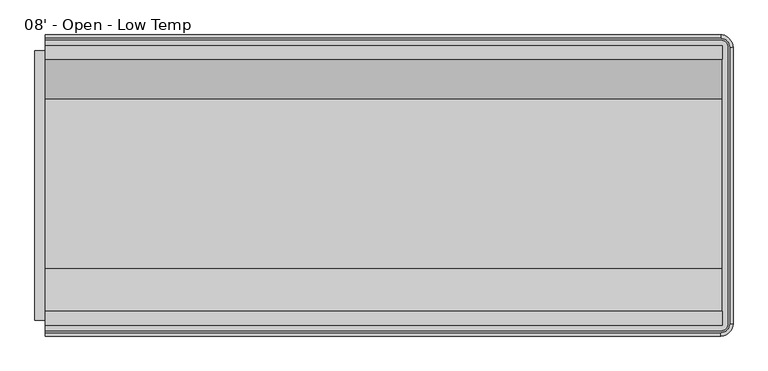
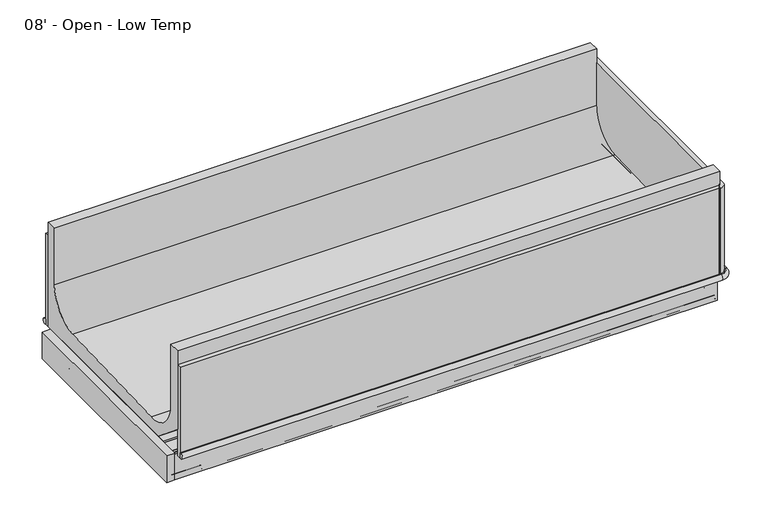
"""IFC4 building model written with IfcOpenShell, lengths in millimetres: proxy geometry, 08' - Open - Low Temp."""

from ifc_helpers import new_model, si_unit, point, frame, frame_2d, origin, place, context, project, spatial, polyline, circle_curve, ellipse_curve, trimmed, segment, composite_curve, outline, extrude, faceted_brep, source, transform, mapped, element, save
from ifc_brep_helpers import plane_surface, cylinder_surface, revolved_surface, advanced_brep


def proxy_08_open_low_temp_37c45525(model_context):
    return source(origin(), model_context, "Body", "SolidModel", [
        extrude(outline(composite_curve([segment(trimmed(circle_curve(frame_2d((2242.2857348, -1195.4118533)), 12.7), [point((2229.5857348, -1195.4118533))], [point((2254.9857348, -1195.4118533))], False, "CARTESIAN"), True, "CONTINUOUS"), segment(trimmed(circle_curve(frame_2d((2242.2857348, -1195.4118533)), 12.7), [point((2254.9857348, -1195.4118533))], [point((2229.5857348, -1195.4118533))], False, "CARTESIAN"), True, "CONTINUOUS")], self_intersect=False)), frame((0.0, 0.0, 267.1357836), z_axis=(0.0, 0.0, 1.0), x_axis=(1.0, 0.0, 0.0)), (0.0, 0.0, 1.0), 111.4880864),
        extrude(outline(composite_curve([segment(trimmed(circle_curve(frame_2d((2191.9411097, -1195.4118533)), 9.525), [point((2182.4161097, -1195.4118533))], [point((2201.4661097, -1195.4118533))], False, "CARTESIAN"), True, "CONTINUOUS"), segment(trimmed(circle_curve(frame_2d((2191.9411097, -1195.4118533)), 9.525), [point((2201.4661097, -1195.4118533))], [point((2182.4161097, -1195.4118533))], False, "CARTESIAN"), True, "CONTINUOUS")], self_intersect=False)), frame((0.0, 0.0, 267.1357836), z_axis=(0.0, 0.0, 1.0), x_axis=(1.0, 0.0, 0.0)), (0.0, 0.0, 1.0), 111.4880864),
        extrude(outline(composite_curve([segment(trimmed(circle_curve(frame_2d((1219.2, -1198.5868533)), 38.1), [point((1181.1, -1198.5868533))], [point((1257.3, -1198.5868533))], False, "CARTESIAN"), True, "CONTINUOUS"), segment(trimmed(circle_curve(frame_2d((1219.2, -1198.5868533)), 38.1), [point((1257.3, -1198.5868533))], [point((1181.1, -1198.5868533))], False, "CARTESIAN"), True, "CONTINUOUS")], self_intersect=False)), frame((0.0, 0.0, 267.1357836), z_axis=(0.0, 0.0, 1.0), x_axis=(1.0, 0.0, 0.0)), (0.0, 0.0, 1.0), 111.4880864),
        extrude(outline(polyline([(247.65, -1413.6237792), (247.65, -1451.7237792), (133.35, -1451.7237792), (133.35, -1413.6237792), (247.65, -1413.6237792)])), frame((0.0, 0.0, 274.6794054), z_axis=(0.0, 0.0, 1.0), x_axis=(1.0, 0.0, 0.0)), (0.0, 0.0, 1.0), 6.35),
        advanced_brep(
        [(0.0, -1496.0833013, 358.14512), (0.0, -1496.0833013, 332.74512), (0.0, -1502.3063013, 332.74512), (0.0, -1502.3063013, 358.14512), (0.0, -427.7095533, 358.14512), (0.0, -421.4865533, 358.14512), (0.0, -421.4865533, 332.74512), (0.0, -427.7095533, 332.74512), (2480.31, -1502.3063013, 358.14512), (2513.672374, -1468.9439273, 358.14512), (2513.672374, -454.8489273, 358.14512), (2480.31, -421.4865533, 358.14512), (2480.31, -427.7095533, 358.14512), (2507.449374, -454.8489273, 358.14512), (2507.449374, -1468.9439273, 358.14512), (2480.31, -1496.0833013, 358.14512), (2480.31, -421.4865533, 332.74512), (2480.31, -1496.0833013, 332.74512), (2507.449374, -1468.9439273, 332.74512), (2507.449374, -454.8489273, 332.74512), (2480.31, -427.7095533, 332.74512), (2513.672374, -454.8489273, 332.74512), (2513.672374, -1468.9439273, 332.74512), (2480.31, -1502.3063013, 332.74512)],
        [
            (0, 1),
            (1, 2),
            (2, 3, circle_curve(frame((0.0, -1502.3063013, 345.44512), z_axis=(-1.0, 0.0, 0.0), x_axis=(0.0, -1.0, 0.0)), 12.7)),
            (3, 0),
            (4, 5),
            (5, 6, circle_curve(frame((0.0, -421.4865533, 345.44512), z_axis=(-1.0, 0.0, 0.0), x_axis=(0.0, 1.0, 0.0)), 12.7)),
            (6, 7),
            (7, 4),
            (3, 8),
            (8, 9, circle_curve(frame((2480.31, -1468.9439273, 358.14512), z_axis=(0.0, 0.0, 1.0), x_axis=(1.0, 0.0, 0.0)), 33.362374)),
            (9, 10),
            (10, 11, circle_curve(frame((2480.31, -454.8489273, 358.14512), z_axis=(0.0, 0.0, 1.0), x_axis=(0.0, 1.0, 0.0)), 33.362374)),
            (11, 5),
            (4, 12),
            (12, 13, circle_curve(frame((2480.31, -454.8489273, 358.14512), z_axis=(0.0, 0.0, -1.0), x_axis=(0.0, 1.0, 0.0)), 27.139374)),
            (13, 14),
            (14, 15, circle_curve(frame((2480.31, -1468.9439273, 358.14512), z_axis=(0.0, 0.0, -1.0), x_axis=(1.0, 0.0, 0.0)), 27.139374)),
            (15, 0),
            (11, 16, circle_curve(frame((2480.31, -421.4865533, 345.44512), z_axis=(-1.0, 0.0, 0.0), x_axis=(0.0, 1.0, 0.0)), 12.7)),
            (16, 6),
            (1, 17),
            (17, 18, circle_curve(frame((2480.31, -1468.9439273, 332.74512), z_axis=(0.0, 0.0, 1.0), x_axis=(1.0, 0.0, 0.0)), 27.139374)),
            (18, 19),
            (19, 20, circle_curve(frame((2480.31, -454.8489273, 332.74512), z_axis=(0.0, 0.0, 1.0), x_axis=(0.0, 1.0, 0.0)), 27.139374)),
            (20, 7),
            (16, 21, circle_curve(frame((2480.31, -454.8489273, 332.74512), z_axis=(0.0, 0.0, -1.0), x_axis=(0.0, 1.0, 0.0)), 33.362374)),
            (21, 22),
            (22, 23, circle_curve(frame((2480.31, -1468.9439273, 332.74512), z_axis=(0.0, 0.0, -1.0), x_axis=(1.0, 0.0, 0.0)), 33.362374)),
            (23, 2),
            (20, 12),
            (10, 21, circle_curve(frame((2513.672374, -454.8489273, 345.44512), z_axis=(0.0, 1.0, 0.0), x_axis=(1.0, 0.0, 0.0)), 12.7)),
            (19, 13),
            (9, 22, circle_curve(frame((2513.672374, -1468.9439273, 345.44512), z_axis=(0.0, 1.0, 0.0), x_axis=(1.0, 0.0, 0.0)), 12.7)),
            (18, 14),
            (8, 23, circle_curve(frame((2480.31, -1502.3063013, 345.44512), z_axis=(1.0, 0.0, 0.0), x_axis=(0.0, -1.0, 0.0)), 12.7)),
            (17, 15),
        ],
        [
            plane_surface(frame((0.0, -1522.2839273, 717.55), z_axis=(-1.0, 0.0, 0.0), x_axis=(0.0, 0.0, 1.0))),
            plane_surface(frame((0.0, -401.5089273, 717.55), z_axis=(-1.0, 0.0, 0.0), x_axis=(0.0, 0.0, 1.0))),
            plane_surface(frame((0.0, -427.7095533, 358.14512), z_axis=(0.0, 0.0, 1.0), x_axis=(1.0, 0.0, 0.0))),
            cylinder_surface(frame((0.0, -421.4865533, 345.44512), z_axis=(-1.0, 0.0, 0.0), x_axis=(0.0, 1.0, 0.0)), 12.7),
            plane_surface(frame((0.0, -421.4865533, 332.74512), z_axis=(0.0, 0.0, -1.0), x_axis=(1.0, 0.0, 0.0))),
            plane_surface(frame((0.0, -427.7095533, 332.74512), z_axis=(0.0, -1.0, 0.0), x_axis=(1.0, 0.0, 0.0))),
            revolved_surface(trimmed(ellipse_curve(frame((2480.31, -421.4865533, 345.44512), z_axis=(-1.0, 0.0, 0.0), x_axis=(0.0, 1.0, 0.0)), 12.7, 12.7), [point((2480.31, -421.4865533, 358.14512))], [point((2480.31, -421.4865533, 332.74512))], True, "CARTESIAN"), (2480.31, -454.8489273, 717.55), (0.0, 0.0, -1.0)),
            revolved_surface(polyline([(2480.31, -427.70955330000004, 332.74512), (2480.31, -427.70955330000004, 358.14512)]), (2480.31, -454.8489273, 717.55), (0.0, 0.0, -1.0)),
            cylinder_surface(frame((2513.672374, -454.8489273, 345.44512), z_axis=(0.0, 1.0, 0.0), x_axis=(1.0, 0.0, 0.0)), 12.7),
            plane_surface(frame((2507.449374, -454.8489273, 332.74512), z_axis=(-1.0, 0.0, 0.0), x_axis=(0.0, -1.0, 0.0))),
            revolved_surface(trimmed(ellipse_curve(frame((2513.672374, -1468.9439273, 345.44512), z_axis=(0.0, 1.0, 0.0), x_axis=(1.0, 0.0, 0.0)), 12.7, 12.7), [point((2513.672374, -1468.9439273, 358.14512))], [point((2513.672374, -1468.9439273, 332.74512))], True, "CARTESIAN"), (2480.31, -1468.9439273, 717.55), (0.0, 0.0, -1.0)),
            revolved_surface(polyline([(2507.449374, -1468.9439273, 332.74512), (2507.449374, -1468.9439273, 358.14512)]), (2480.31, -1468.9439273, 717.55), (0.0, 0.0, -1.0)),
            cylinder_surface(frame((2480.31, -1502.3063013, 345.44512), z_axis=(1.0, 0.0, 0.0), x_axis=(0.0, -1.0, 0.0)), 12.7),
            plane_surface(frame((2480.31, -1496.0833013, 332.74512), z_axis=(0.0, 1.0, 0.0), x_axis=(-1.0, 0.0, 0.0))),
        ],
        [
            (0, [[1, 2, 3, 4]]),
            (1, [[5, 6, 7, 8]]),
            (2, [[-4, 9, 10, 11, 12, 13, -5, 14, 15, 16, 17, 18]]),
            (3, [[-6, -13, 19, 20]]),
            (4, [[-2, 21, 22, 23, 24, 25, -7, -20, 26, 27, 28, 29]]),
            (5, [[-8, -25, 30, -14]]),
            (6, [[-12, 31, -26, -19]]),
            (7, [[-15, -30, -24, 32]]),
            (8, [[-11, 33, -27, -31]]),
            (9, [[-16, -32, -23, 34]]),
            (10, [[-10, 35, -28, -33]]),
            (11, [[-17, -34, -22, 36]]),
            (12, [[-3, -29, -35, -9]]),
            (13, [[-1, -18, -36, -21]]),
        ],
    ),
        advanced_brep(
        [(2487.3148438, -645.364244, 415.4160788), (2487.3148438, -1266.4759331, 393.268902), (2487.3148438, -1424.2105725, 546.0329855), (2487.3148438, -1424.2105725, 840.41492), (2487.3148438, -1475.9703113, 840.41492), (2487.3148438, -1475.9703113, 460.2391669), (2487.3148438, -1323.1509772, 332.00852), (2487.3148438, -447.8225433, 332.00852), (2487.3148438, -447.8225433, 840.41492), (2487.3148438, -498.2829273, 840.41492), (2487.3148438, -498.2829273, 567.7232408), (0.0, -645.364244, 415.4160788), (0.0, -498.2829273, 567.7232408), (0.0, -498.2829273, 840.41492), (0.0, -447.8225433, 840.41492), (0.0, -447.8225433, 332.00852), (0.0, -1323.1509772, 332.00852), (0.0, -1475.9703113, 460.2391669), (0.0, -1475.9703113, 840.41492), (0.0, -1424.2105725, 840.41492), (0.0, -1424.2105725, 546.0329855), (0.0, -1266.4759331, 393.268902), (1219.2, -1248.6431135, 332.00852), (1219.2, -1147.0431135, 332.00852), (2217.7375, -1245.4681135, 332.00852), (2217.7375, -1143.8681135, 332.00852), (1219.2, -1248.6431135, 378.62387), (1219.2, -1147.0431135, 378.62387), (2217.7375, -1245.4681135, 378.62387), (2217.7375, -1143.8681135, 378.62387)],
        [
            (0, 1),
            (1, 2, circle_curve(frame((2487.3148438, -1271.9033854, 545.4803582), z_axis=(-1.0, 0.0, 0.0), x_axis=(0.0, 1.0, 0.0)), 152.3081897)),
            (2, 3),
            (3, 4),
            (4, 5),
            (5, 6),
            (6, 7),
            (7, 8),
            (8, 9),
            (9, 10),
            (10, 0, circle_curve(frame((2487.3148438, -650.6829273, 567.7232408), z_axis=(-1.0, 0.0, 0.0), x_axis=(0.0, 1.0, 0.0)), 152.4)),
            (11, 12, circle_curve(frame((0.0, -650.6829273, 567.7232408), z_axis=(1.0, 0.0, 0.0), x_axis=(0.0, 1.0, 0.0)), 152.4)),
            (12, 13),
            (13, 14),
            (14, 15),
            (15, 16),
            (16, 17),
            (17, 18),
            (18, 19),
            (19, 20),
            (20, 21, circle_curve(frame((0.0, -1271.9033854, 545.4803582), z_axis=(1.0, 0.0, 0.0), x_axis=(0.0, 1.0, 0.0)), 152.3081897)),
            (21, 11),
            (0, 11),
            (21, 1),
            (20, 2),
            (19, 3),
            (18, 4),
            (17, 5),
            (16, 6),
            (15, 7),
            (22, 23, circle_curve(frame((1219.2, -1197.8431135, 332.00852), z_axis=(0.0, 0.0, 1.0), x_axis=(0.0, 1.0, 0.0)), 50.8)),
            (23, 22, circle_curve(frame((1219.2, -1197.8431135, 332.00852), z_axis=(0.0, 0.0, 1.0), x_axis=(0.0, 1.0, 0.0)), 50.8)),
            (24, 25, circle_curve(frame((2217.7375, -1194.6681135, 332.00852), z_axis=(0.0, 0.0, 1.0), x_axis=(0.0, 1.0, 0.0)), 50.8)),
            (25, 24, circle_curve(frame((2217.7375, -1194.6681135, 332.00852), z_axis=(0.0, 0.0, 1.0), x_axis=(0.0, 1.0, 0.0)), 50.8)),
            (14, 8),
            (13, 9),
            (12, 10),
            (26, 27, circle_curve(frame((1219.2, -1197.8431135, 378.62387), z_axis=(0.0, 0.0, -1.0), x_axis=(0.0, 1.0, 0.0)), 50.8)),
            (27, 26, circle_curve(frame((1219.2, -1197.8431135, 378.62387), z_axis=(0.0, 0.0, -1.0), x_axis=(0.0, 1.0, 0.0)), 50.8)),
            (27, 23),
            (22, 26),
            (28, 29, circle_curve(frame((2217.7375, -1194.6681135, 378.62387), z_axis=(0.0, 0.0, -1.0), x_axis=(0.0, 1.0, 0.0)), 50.8)),
            (29, 28, circle_curve(frame((2217.7375, -1194.6681135, 378.62387), z_axis=(0.0, 0.0, -1.0), x_axis=(0.0, 1.0, 0.0)), 50.8)),
            (29, 25),
            (24, 28),
        ],
        [
            plane_surface(frame((2487.3148438, -1266.4759331, 393.268902), z_axis=(1.0, 0.0, 0.0), x_axis=(0.0, -0.999364883420705, -0.03563467111565395))),
            plane_surface(frame((0.0, -1266.4759331, 393.268902), z_axis=(-1.0, 0.0, 0.0), x_axis=(0.0, 0.999364883420705, 0.03563467111565395))),
            plane_surface(frame((2487.3148438, -645.364244, 415.4160788), z_axis=(0.0, -0.03563467111565395, 0.999364883420705), x_axis=(-1.0, 0.0, 0.0))),
            revolved_surface(polyline([(0.0, -1119.5951957, 545.4803582), (2487.3148438, -1119.5951957, 545.4803582)]), (0.0, -1271.9033854, 545.4803582), (-1.0, 0.0, 0.0)),
            plane_surface(frame((2487.3148438, -1424.2105725, 546.0329855), z_axis=(0.0, 1.0, 0.0), x_axis=(-1.0, 0.0, 0.0))),
            plane_surface(frame((2487.3148438, -1424.2105725, 840.41492), z_axis=(0.0, 0.0, 1.0), x_axis=(-1.0, 0.0, 0.0))),
            plane_surface(frame((2487.3148438, -1475.9703113, 840.41492), z_axis=(0.0, -1.0, 0.0), x_axis=(-1.0, 0.0, 0.0))),
            plane_surface(frame((2487.3148438, -1475.9703113, 460.2391669), z_axis=(0.0, -0.6427876096896754, -0.7660444431163466), x_axis=(-1.0, 0.0, 0.0))),
            plane_surface(frame((2487.3148438, -1323.1509772, 332.00852), z_axis=(0.0, 0.0, -1.0), x_axis=(-1.0, 0.0, 0.0))),
            plane_surface(frame((2487.3148438, -447.8225433, 332.00852), z_axis=(0.0, 1.0, 0.0), x_axis=(-1.0, 0.0, 0.0))),
            plane_surface(frame((2487.3148438, -447.8225433, 840.41492), z_axis=(0.0, 0.0, 1.0), x_axis=(-1.0, 0.0, 0.0))),
            plane_surface(frame((2487.3148438, -498.2829273, 840.41492), z_axis=(0.0, -1.0, 0.0), x_axis=(-1.0, 0.0, 0.0))),
            revolved_surface(polyline([(0.0, -498.2829273, 567.7232408), (2487.3148438, -498.2829273, 567.7232408)]), (0.0, -650.6829273, 567.7232408), (-1.0, 0.0, 0.0)),
            plane_surface(frame((1219.2, -1147.0431135, 378.62387), z_axis=(0.0, 0.0, -1.0), x_axis=(-1.0, 0.0, 0.0))),
            revolved_surface(polyline([(1219.2, -1147.0431135000001, 378.62387), (1219.2, -1147.0431135000001, 332.00852)]), (1219.2, -1197.8431135, 277.02387), (0.0, 0.0, 1.0)),
            plane_surface(frame((2217.7375, -1143.8681135, 378.62387), z_axis=(0.0, 0.0, -1.0), x_axis=(-1.0, 0.0, 0.0))),
            revolved_surface(polyline([(2217.7375, -1143.8681135, 378.62387), (2217.7375, -1143.8681135, 332.00852)]), (2217.7375, -1194.6681135, 277.02387), (0.0, 0.0, 1.0)),
        ],
        [
            (0, [[1, 2, 3, 4, 5, 6, 7, 8, 9, 10, 11]]),
            (1, [[12, 13, 14, 15, 16, 17, 18, 19, 20, 21, 22]]),
            (2, [[-1, 23, -22, 24]]),
            (3, [[-2, -24, -21, 25]]),
            (4, [[-3, -25, -20, 26]]),
            (5, [[-4, -26, -19, 27]]),
            (6, [[-5, -27, -18, 28]]),
            (7, [[-6, -28, -17, 29]]),
            (8, [[-7, -29, -16, 30], [31, 32], [33, 34]]),
            (9, [[-8, -30, -15, 35]]),
            (10, [[-9, -35, -14, 36]]),
            (11, [[-10, -36, -13, 37]]),
            (12, [[-11, -37, -12, -23]]),
            (13, [[38, 39]]),
            (14, [[-39, 40, -31, 41]]),
            (14, [[-38, -41, -32, -40]]),
            (15, [[42, 43]]),
            (16, [[-43, 44, -33, 45]]),
            (16, [[-42, -45, -34, -44]]),
        ],
    ),
        faceted_brep([(2487.3148438, -1455.9322513, 325.9788642), (2487.3148438, -1455.9322513, 202.18277), (2487.3148438, -1445.1118513, 202.18277), (2487.3148438, -1445.1118513, 325.9788642), (0.0, -1455.9322513, 325.9788642), (0.0, -1445.1118513, 325.9788642), (0.0, -1445.1118513, 202.18277), (0.0, -1455.9322513, 202.18277), (133.35, -1445.1118513, 202.18277), (133.35, -1451.7237792, 202.18277), (247.65, -1451.7237792, 202.18277), (247.65, -1445.1118513, 202.18277), (247.65, -1445.1118513, 281.0294054), (133.35, -1445.1118513, 281.0294054), (247.65, -1451.7237792, 281.0294054), (133.35, -1451.7237792, 281.0294054)], [[[0, 1, 2, 3]], [[4, 5, 6, 7]], [[1, 0, 4, 7]], [[2, 1, 7, 6, 8, 9, 10, 11]], [[3, 2, 11, 12, 13, 8, 6, 5]], [[0, 3, 5, 4]], [[14, 15, 13, 12]], [[10, 14, 12, 11]], [[15, 14, 10, 9]], [[15, 9, 8, 13]]]),
        faceted_brep([(2487.3148438, -466.0942513, 325.9788642), (2487.3148438, -476.9146513, 325.9788642), (2487.3148438, -476.9146513, 202.18277), (2487.3148438, -466.0942513, 202.18277), (0.0, -466.0942513, 325.9788642), (0.0, -466.0942513, 202.18277), (0.0, -476.9146513, 202.18277), (0.0, -476.9146513, 325.9788642)], [[[0, 1, 2, 3]], [[4, 5, 6, 7]], [[1, 0, 4, 7]], [[2, 1, 7, 6]], [[3, 2, 6, 5]], [[0, 3, 5, 4]]]),
        advanced_brep(
        [(2487.3148438, -1432.4118513, 203.70677), (2487.3148438, -1432.4118513, 218.05777), (2487.3148438, -1430.9132513, 218.05777), (2487.3148438, -1430.9132513, 327.2908141), (2487.3148438, -1432.8052072, 329.18277), (2487.3148438, -1443.5878513, 329.18277), (2487.3148438, -1445.1118513, 327.65877), (2487.3148438, -1445.1118513, 203.7555594), (2487.3148438, -1443.5390619, 202.18277), (2487.3148438, -1433.9358513, 202.18277), (0.0, -1432.4118513, 203.70677), (0.0, -1433.9358513, 202.18277), (0.0, -1443.5390619, 202.18277), (0.0, -1445.1118513, 203.7555594), (0.0, -1445.1118513, 327.65877), (0.0, -1443.5878513, 329.18277), (0.0, -1432.8052072, 329.18277), (0.0, -1430.9132513, 327.2908141), (0.0, -1430.9132513, 218.05777), (0.0, -1432.4118513, 218.05777), (247.65, -1432.4118513, 203.70677), (247.65, -1432.4118513, 218.05777), (133.35, -1432.4118513, 218.05777), (133.35, -1432.4118513, 203.70677), (247.65, -1430.9132513, 218.05777), (133.35, -1430.9132513, 218.05777), (247.65, -1430.9132513, 281.0294054), (133.35, -1430.9132513, 281.0294054), (133.35, -1445.1118513, 203.7555594), (133.35, -1445.1118513, 281.0294054), (247.65, -1445.1118513, 281.0294054), (247.65, -1445.1118513, 203.7555594), (247.65, -1443.5390619, 202.18277), (133.35, -1443.5390619, 202.18277), (247.65, -1433.9358513, 202.18277), (133.35, -1433.9358513, 202.18277)],
        [
            (0, 1),
            (1, 2),
            (2, 3),
            (3, 4, circle_curve(frame((2487.3148438, -1432.8052072, 327.2908141), z_axis=(1.0, 0.0, 0.0), x_axis=(0.0, 1.0, 0.0)), 1.8919559)),
            (4, 5),
            (5, 6, circle_curve(frame((2487.3148438, -1443.5878513, 327.65877), z_axis=(1.0, 0.0, 0.0), x_axis=(0.0, 1.0, 0.0)), 1.524)),
            (6, 7),
            (7, 8, circle_curve(frame((2487.3148438, -1443.5390619, 203.7555594), z_axis=(1.0, 0.0, 0.0), x_axis=(0.0, 1.0, 0.0)), 1.5727894)),
            (8, 9),
            (9, 0, circle_curve(frame((2487.3148438, -1433.9358513, 203.70677), z_axis=(1.0, 0.0, 0.0), x_axis=(0.0, 1.0, 0.0)), 1.524)),
            (10, 11, circle_curve(frame((0.0, -1433.9358513, 203.70677), z_axis=(-1.0, 0.0, 0.0), x_axis=(0.0, 1.0, 0.0)), 1.524)),
            (11, 12),
            (12, 13, circle_curve(frame((0.0, -1443.5390619, 203.7555594), z_axis=(-1.0, 0.0, 0.0), x_axis=(0.0, 1.0, 0.0)), 1.5727894)),
            (13, 14),
            (14, 15, circle_curve(frame((0.0, -1443.5878513, 327.65877), z_axis=(-1.0, 0.0, 0.0), x_axis=(0.0, 1.0, 0.0)), 1.524)),
            (15, 16),
            (16, 17, circle_curve(frame((0.0, -1432.8052072, 327.2908141), z_axis=(-1.0, 0.0, 0.0), x_axis=(0.0, 1.0, 0.0)), 1.8919559)),
            (17, 18),
            (18, 19),
            (19, 10),
            (0, 20),
            (20, 21),
            (21, 1),
            (19, 22),
            (22, 23),
            (23, 10),
            (21, 24),
            (24, 2),
            (18, 25),
            (25, 22),
            (24, 26),
            (26, 27),
            (27, 25),
            (17, 3),
            (16, 4),
            (15, 5),
            (14, 6),
            (13, 28),
            (28, 29),
            (29, 30),
            (30, 31),
            (31, 7),
            (31, 32, circle_curve(frame((247.65, -1443.5390619, 203.7555594), z_axis=(1.0, 0.0, 0.0), x_axis=(0.0, 1.0, 0.0)), 1.5727894)),
            (32, 8),
            (12, 33),
            (33, 28, circle_curve(frame((133.35, -1443.5390619, 203.7555594), z_axis=(-1.0, 0.0, 0.0), x_axis=(0.0, 1.0, 0.0)), 1.5727894)),
            (32, 34),
            (34, 9),
            (11, 35),
            (35, 33),
            (34, 20, circle_curve(frame((247.65, -1433.9358513, 203.70677), z_axis=(1.0, 0.0, 0.0), x_axis=(0.0, 1.0, 0.0)), 1.524)),
            (23, 35, circle_curve(frame((133.35, -1433.9358513, 203.70677), z_axis=(-1.0, 0.0, 0.0), x_axis=(0.0, 1.0, 0.0)), 1.524)),
            (26, 30),
            (29, 27),
        ],
        [
            plane_surface(frame((2487.3148438, -1432.4118513, 218.05777), z_axis=(1.0, 0.0, 0.0), x_axis=(0.0, 0.0, 1.0))),
            plane_surface(frame((0.0, -1432.4118513, 218.05777), z_axis=(-1.0, 0.0, 0.0), x_axis=(0.0, 0.0, -1.0))),
            plane_surface(frame((2487.3148438, -1432.4118513, 203.70677), z_axis=(0.0, 1.0, 0.0), x_axis=(-1.0, 0.0, 0.0))),
            plane_surface(frame((2487.3148438, -1432.4118513, 218.05777), z_axis=(0.0, 0.0, -1.0), x_axis=(-1.0, 0.0, 0.0))),
            plane_surface(frame((2487.3148438, -1430.9132513, 218.05777), z_axis=(0.0, 1.0, 0.0), x_axis=(-1.0, 0.0, 0.0))),
            cylinder_surface(frame((0.0, -1432.8052072, 327.2908141), z_axis=(1.0, 0.0, 0.0), x_axis=(0.0, 1.0, 0.0)), 1.8919559),
            plane_surface(frame((2487.3148438, -1432.8052072, 329.18277), z_axis=(0.0, 0.0, 1.0), x_axis=(-1.0, 0.0, 0.0))),
            cylinder_surface(frame((0.0, -1443.5878513, 327.65877), z_axis=(1.0, 0.0, 0.0), x_axis=(0.0, 1.0, 0.0)), 1.524),
            plane_surface(frame((2487.3148438, -1445.1118513, 327.65877), z_axis=(0.0, -1.0, 0.0), x_axis=(-1.0, 0.0, 0.0))),
            cylinder_surface(frame((0.0, -1443.5390619, 203.7555594), z_axis=(1.0, 0.0, 0.0), x_axis=(0.0, 1.0, 0.0)), 1.5727894),
            plane_surface(frame((2487.3148438, -1443.5390619, 202.18277), z_axis=(0.0, 0.0, -1.0), x_axis=(-1.0, 0.0, 0.0))),
            cylinder_surface(frame((0.0, -1433.9358513, 203.70677), z_axis=(1.0, 0.0, 0.0), x_axis=(0.0, 1.0, 0.0)), 1.524),
            plane_surface(frame((0.0, -1481.3322513, 281.0294054), z_axis=(0.0, 0.0, -1.0), x_axis=(1.0, 0.0, 0.0))),
            plane_surface(frame((247.65, -1413.6237792, 202.18277), z_axis=(-1.0, 0.0, 0.0), x_axis=(0.0, 0.0, 1.0))),
            plane_surface(frame((133.35, -1451.7237792, 202.18277), z_axis=(1.0, 0.0, 0.0), x_axis=(0.0, 0.0, 1.0))),
        ],
        [
            (0, [[1, 2, 3, 4, 5, 6, 7, 8, 9, 10]]),
            (1, [[11, 12, 13, 14, 15, 16, 17, 18, 19, 20]]),
            (2, [[-1, 21, 22, 23]]),
            (2, [[-20, 24, 25, 26]]),
            (3, [[-2, -23, 27, 28]]),
            (3, [[-19, 29, 30, -24]]),
            (4, [[-3, -28, 31, 32, 33, -29, -18, 34]]),
            (5, [[-4, -34, -17, 35]]),
            (6, [[-5, -35, -16, 36]]),
            (7, [[-6, -36, -15, 37]]),
            (8, [[-7, -37, -14, 38, 39, 40, 41, 42]]),
            (9, [[-8, -42, 43, 44]]),
            (9, [[-13, 45, 46, -38]]),
            (10, [[-9, -44, 47, 48]]),
            (10, [[-12, 49, 50, -45]]),
            (11, [[-10, -48, 51, -21]]),
            (11, [[-11, -26, 52, -49]]),
            (12, [[53, -40, 54, -32]]),
            (13, [[-53, -31, -27, -22, -51, -47, -43, -41]]),
            (14, [[-54, -39, -46, -50, -52, -25, -30, -33]]),
        ],
    ),
        advanced_brep(
        [(2487.3148438, -489.6146513, 203.70677), (2487.3148438, -488.0906513, 202.18277), (2487.3148438, -478.4874408, 202.18277), (2487.3148438, -476.9146513, 203.7555594), (2487.3148438, -476.9146513, 327.65877), (2487.3148438, -478.4386513, 329.18277), (2487.3148438, -489.2212954, 329.18277), (2487.3148438, -491.1132513, 327.2908141), (2487.3148438, -491.1132513, 218.05777), (2487.3148438, -489.6146513, 218.05777), (0.0, -489.6146513, 203.70677), (0.0, -489.6146513, 218.05777), (0.0, -491.1132513, 218.05777), (0.0, -491.1132513, 327.2908141), (0.0, -489.2212954, 329.18277), (0.0, -478.4386513, 329.18277), (0.0, -476.9146513, 327.65877), (0.0, -476.9146513, 203.7555594), (0.0, -478.4874408, 202.18277), (0.0, -488.0906513, 202.18277)],
        [
            (0, 1, circle_curve(frame((2487.3148438, -488.0906513, 203.70677), z_axis=(1.0, 0.0, 0.0), x_axis=(0.0, 1.0, 0.0)), 1.524)),
            (1, 2),
            (2, 3, circle_curve(frame((2487.3148438, -478.4874408, 203.7555594), z_axis=(1.0, 0.0, 0.0), x_axis=(0.0, 1.0, 0.0)), 1.5727894)),
            (3, 4),
            (4, 5, circle_curve(frame((2487.3148438, -478.4386513, 327.65877), z_axis=(1.0, 0.0, 0.0), x_axis=(0.0, 1.0, 0.0)), 1.524)),
            (5, 6),
            (6, 7, circle_curve(frame((2487.3148438, -489.2212954, 327.2908141), z_axis=(1.0, 0.0, 0.0), x_axis=(0.0, 1.0, 0.0)), 1.8919559)),
            (7, 8),
            (8, 9),
            (9, 0),
            (10, 11),
            (11, 12),
            (12, 13),
            (13, 14, circle_curve(frame((0.0, -489.2212954, 327.2908141), z_axis=(-1.0, 0.0, 0.0), x_axis=(0.0, 1.0, 0.0)), 1.8919559)),
            (14, 15),
            (15, 16, circle_curve(frame((0.0, -478.4386513, 327.65877), z_axis=(-1.0, 0.0, 0.0), x_axis=(0.0, 1.0, 0.0)), 1.524)),
            (16, 17),
            (17, 18, circle_curve(frame((0.0, -478.4874408, 203.7555594), z_axis=(-1.0, 0.0, 0.0), x_axis=(0.0, 1.0, 0.0)), 1.5727894)),
            (18, 19),
            (19, 10, circle_curve(frame((0.0, -488.0906513, 203.70677), z_axis=(-1.0, 0.0, 0.0), x_axis=(0.0, 1.0, 0.0)), 1.524)),
            (0, 10),
            (19, 1),
            (18, 2),
            (17, 3),
            (16, 4),
            (15, 5),
            (14, 6),
            (13, 7),
            (12, 8),
            (11, 9),
        ],
        [
            plane_surface(frame((2487.3148438, -1432.4118513, 218.05777), z_axis=(1.0, 0.0, 0.0), x_axis=(0.0, 0.0, 1.0))),
            plane_surface(frame((0.0, -1432.4118513, 218.05777), z_axis=(-1.0, 0.0, 0.0), x_axis=(0.0, 0.0, -1.0))),
            cylinder_surface(frame((0.0, -488.0906513, 203.70677), z_axis=(1.0, 0.0, 0.0), x_axis=(0.0, 1.0, 0.0)), 1.524),
            plane_surface(frame((2487.3148438, -488.0906513, 202.18277), z_axis=(0.0, 0.0, -1.0), x_axis=(-1.0, 0.0, 0.0))),
            cylinder_surface(frame((0.0, -478.4874408, 203.7555594), z_axis=(1.0, 0.0, 0.0), x_axis=(0.0, 1.0, 0.0)), 1.5727894),
            plane_surface(frame((2487.3148438, -476.9146513, 203.7555594), z_axis=(0.0, 1.0, 0.0), x_axis=(-1.0, 0.0, 0.0))),
            cylinder_surface(frame((0.0, -478.4386513, 327.65877), z_axis=(1.0, 0.0, 0.0), x_axis=(0.0, 1.0, 0.0)), 1.524),
            plane_surface(frame((2487.3148438, -478.4386513, 329.18277), z_axis=(0.0, 0.0, 1.0), x_axis=(-1.0, 0.0, 0.0))),
            cylinder_surface(frame((0.0, -489.2212954, 327.2908141), z_axis=(1.0, 0.0, 0.0), x_axis=(0.0, 1.0, 0.0)), 1.8919559),
            plane_surface(frame((2487.3148438, -491.1132513, 327.2908141), z_axis=(0.0, -1.0, 0.0), x_axis=(-1.0, 0.0, 0.0))),
            plane_surface(frame((2487.3148438, -491.1132513, 218.05777), z_axis=(0.0, 0.0, -1.0), x_axis=(-1.0, 0.0, 0.0))),
            plane_surface(frame((2487.3148438, -489.6146513, 218.05777), z_axis=(0.0, -1.0, 0.0), x_axis=(-1.0, 0.0, 0.0))),
        ],
        [
            (0, [[1, 2, 3, 4, 5, 6, 7, 8, 9, 10]]),
            (1, [[11, 12, 13, 14, 15, 16, 17, 18, 19, 20]]),
            (2, [[-1, 21, -20, 22]]),
            (3, [[-2, -22, -19, 23]]),
            (4, [[-3, -23, -18, 24]]),
            (5, [[-4, -24, -17, 25]]),
            (6, [[-5, -25, -16, 26]]),
            (7, [[-6, -26, -15, 27]]),
            (8, [[-7, -27, -14, 28]]),
            (9, [[-8, -28, -13, 29]]),
            (10, [[-9, -29, -12, 30]]),
            (11, [[-10, -30, -11, -21]]),
        ],
    ),
        advanced_brep(
        [(2487.3148438, -1362.6507513, 227.926894), (2487.3148438, -1362.6507513, 293.70532), (2487.3148438, -1364.6319513, 293.70532), (2487.3148438, -1364.6319513, 324.82032), (2487.3148438, -1367.8069513, 327.99532), (2487.3148438, -1429.6435261, 327.99532), (2487.3148438, -1432.5007513, 325.1380948), (2487.3148438, -1432.5007513, 213.28892), (2487.3148438, -1428.5383513, 209.32652), (2487.3148438, -1413.3321043, 209.32652), (2487.3148438, -1411.526365, 209.6530509), (0.0, -1362.6507513, 227.926894), (0.0, -1411.526365, 209.6530509), (0.0, -1413.3321043, 209.32652), (0.0, -1428.5383513, 209.32652), (0.0, -1432.5007513, 213.28892), (0.0, -1432.5007513, 325.1380948), (0.0, -1429.6435261, 327.99532), (0.0, -1367.8069513, 327.99532), (0.0, -1364.6319513, 324.82032), (0.0, -1364.6319513, 293.70532), (0.0, -1362.6507513, 293.70532), (133.35, -1432.5007513, 213.28892), (133.35, -1432.5007513, 281.0294054), (247.65, -1432.5007513, 281.0294054), (247.65, -1432.5007513, 213.28892), (247.65, -1428.5383513, 209.32652), (133.35, -1428.5383513, 209.32652), (247.65, -1413.6237792, 209.32652), (133.35, -1413.6237792, 209.32652), (133.35, -1413.6237792, 281.0294054), (247.65, -1413.6237792, 281.0294054)],
        [
            (0, 1),
            (1, 2),
            (2, 3),
            (3, 4, circle_curve(frame((2487.3148438, -1367.8069513, 324.82032), z_axis=(1.0, 0.0, 0.0), x_axis=(0.0, 1.0, 0.0)), 3.175)),
            (4, 5),
            (5, 6, circle_curve(frame((2487.3148438, -1429.6435261, 325.1380948), z_axis=(1.0, 0.0, 0.0), x_axis=(0.0, 1.0, 0.0)), 2.8572252)),
            (6, 7),
            (7, 8, circle_curve(frame((2487.3148438, -1428.5383513, 213.28892), z_axis=(1.0, 0.0, 0.0), x_axis=(0.0, 1.0, 0.0)), 3.9624)),
            (8, 9),
            (9, 10, circle_curve(frame((2487.3148438, -1413.3321043, 214.48272), z_axis=(1.0, 0.0, 0.0), x_axis=(0.0, 1.0, 0.0)), 5.1562)),
            (10, 0),
            (11, 12),
            (12, 13, circle_curve(frame((0.0, -1413.3321043, 214.48272), z_axis=(-1.0, 0.0, 0.0), x_axis=(0.0, 1.0, 0.0)), 5.1562)),
            (13, 14),
            (14, 15, circle_curve(frame((0.0, -1428.5383513, 213.28892), z_axis=(-1.0, 0.0, 0.0), x_axis=(0.0, 1.0, 0.0)), 3.9624)),
            (15, 16),
            (16, 17, circle_curve(frame((0.0, -1429.6435261, 325.1380948), z_axis=(-1.0, 0.0, 0.0), x_axis=(0.0, 1.0, 0.0)), 2.8572252)),
            (17, 18),
            (18, 19, circle_curve(frame((0.0, -1367.8069513, 324.82032), z_axis=(-1.0, 0.0, 0.0), x_axis=(0.0, 1.0, 0.0)), 3.175)),
            (19, 20),
            (20, 21),
            (21, 11),
            (0, 11),
            (21, 1),
            (20, 2),
            (19, 3),
            (18, 4),
            (17, 5),
            (16, 6),
            (15, 22),
            (22, 23),
            (23, 24),
            (24, 25),
            (25, 7),
            (25, 26, circle_curve(frame((247.65, -1428.5383513, 213.28892), z_axis=(1.0, 0.0, 0.0), x_axis=(0.0, 1.0, 0.0)), 3.9624)),
            (26, 8),
            (14, 27),
            (27, 22, circle_curve(frame((133.35, -1428.5383513, 213.28892), z_axis=(-1.0, 0.0, 0.0), x_axis=(0.0, 1.0, 0.0)), 3.9624)),
            (26, 28),
            (28, 29),
            (29, 27),
            (13, 9),
            (12, 10),
            (30, 31),
            (31, 24),
            (23, 30),
            (31, 28),
            (29, 30),
        ],
        [
            plane_surface(frame((2487.3148438, -1362.6507513, 332.00852), z_axis=(1.0, 0.0, 0.0), x_axis=(0.0, 0.0, 1.0))),
            plane_surface(frame((0.0, -1362.6507513, 332.00852), z_axis=(-1.0, 0.0, 0.0), x_axis=(0.0, 0.0, -1.0))),
            plane_surface(frame((2487.3148438, -1362.6507513, 227.926894), z_axis=(0.0, 1.0, 0.0), x_axis=(-1.0, 0.0, 0.0))),
            plane_surface(frame((2487.3148438, -1362.6507513, 293.70532), z_axis=(0.0, 0.0, 1.0), x_axis=(-1.0, 0.0, 0.0))),
            plane_surface(frame((2487.3148438, -1364.6319513, 293.70532), z_axis=(0.0, 1.0, 0.0), x_axis=(-1.0, 0.0, 0.0))),
            cylinder_surface(frame((0.0, -1367.8069513, 324.82032), z_axis=(1.0, 0.0, 0.0), x_axis=(0.0, 1.0, 0.0)), 3.175),
            plane_surface(frame((2487.3148438, -1367.8069513, 327.99532), z_axis=(0.0, 0.0, 1.0), x_axis=(-1.0, 0.0, 0.0))),
            cylinder_surface(frame((0.0, -1429.6435261, 325.1380948), z_axis=(1.0, 0.0, 0.0), x_axis=(0.0, 1.0, 0.0)), 2.8572252),
            plane_surface(frame((2487.3148438, -1432.5007513, 325.1380948), z_axis=(0.0, -1.0, 0.0), x_axis=(-1.0, 0.0, 0.0))),
            cylinder_surface(frame((0.0, -1428.5383513, 213.28892), z_axis=(1.0, 0.0, 0.0), x_axis=(0.0, 1.0, 0.0)), 3.9624),
            plane_surface(frame((2487.3148438, -1428.5383513, 209.32652), z_axis=(0.0, 0.0, -1.0), x_axis=(-1.0, 0.0, 0.0))),
            cylinder_surface(frame((0.0, -1413.3321043, 214.48272), z_axis=(1.0, 0.0, 0.0), x_axis=(0.0, 1.0, 0.0)), 5.1562),
            plane_surface(frame((2487.3148438, -1411.526365, 209.6530509), z_axis=(0.0, 0.35020738115642, -0.9366721892869255), x_axis=(-1.0, 0.0, 0.0))),
            plane_surface(frame((0.0, -1481.3322513, 281.0294054), z_axis=(0.0, 0.0, -1.0), x_axis=(1.0, 0.0, 0.0))),
            plane_surface(frame((247.65, -1413.6237792, 202.18277), z_axis=(-1.0, 0.0, 0.0), x_axis=(0.0, 0.0, 1.0))),
            plane_surface(frame((133.35, -1451.7237792, 202.18277), z_axis=(1.0, 0.0, 0.0), x_axis=(0.0, 0.0, 1.0))),
            plane_surface(frame((133.35, -1413.6237792, 202.18277), z_axis=(0.0, -1.0, 0.0), x_axis=(0.0, 0.0, 1.0))),
        ],
        [
            (0, [[1, 2, 3, 4, 5, 6, 7, 8, 9, 10, 11]]),
            (1, [[12, 13, 14, 15, 16, 17, 18, 19, 20, 21, 22]]),
            (2, [[-1, 23, -22, 24]]),
            (3, [[-2, -24, -21, 25]]),
            (4, [[-3, -25, -20, 26]]),
            (5, [[-4, -26, -19, 27]]),
            (6, [[-5, -27, -18, 28]]),
            (7, [[-6, -28, -17, 29]]),
            (8, [[-7, -29, -16, 30, 31, 32, 33, 34]]),
            (9, [[-8, -34, 35, 36]]),
            (9, [[-15, 37, 38, -30]]),
            (10, [[-9, -36, 39, 40, 41, -37, -14, 42]]),
            (11, [[-10, -42, -13, 43]]),
            (12, [[-11, -43, -12, -23]]),
            (13, [[44, 45, -32, 46]]),
            (14, [[-45, 47, -39, -35, -33]]),
            (15, [[-46, -31, -38, -41, 48]]),
            (16, [[-44, -48, -40, -47]]),
        ],
    ),
        advanced_brep(
        [(2487.3148438, -559.3757513, 227.926894), (2487.3148438, -510.5001377, 209.6530509), (2487.3148438, -508.6943984, 209.32652), (2487.3148438, -493.4881513, 209.32652), (2487.3148438, -489.5257513, 213.28892), (2487.3148438, -489.5257513, 325.1380948), (2487.3148438, -492.3829765, 327.99532), (2487.3148438, -554.2195513, 327.99532), (2487.3148438, -557.3945513, 324.82032), (2487.3148438, -557.3945513, 293.70532), (2487.3148438, -559.3757513, 293.70532), (0.0, -559.3757513, 227.926894), (0.0, -559.3757513, 293.70532), (0.0, -557.3945513, 293.70532), (0.0, -557.3945513, 324.82032), (0.0, -554.2195513, 327.99532), (0.0, -492.3829765, 327.99532), (0.0, -489.5257513, 325.1380948), (0.0, -489.5257513, 213.28892), (0.0, -493.4881513, 209.32652), (0.0, -508.6943984, 209.32652), (0.0, -510.5001377, 209.6530509)],
        [
            (0, 1),
            (1, 2, circle_curve(frame((2487.3148438, -508.6943984, 214.48272), z_axis=(1.0, 0.0, 0.0), x_axis=(0.0, 1.0, 0.0)), 5.1562)),
            (2, 3),
            (3, 4, circle_curve(frame((2487.3148438, -493.4881513, 213.28892), z_axis=(1.0, 0.0, 0.0), x_axis=(0.0, 1.0, 0.0)), 3.9624)),
            (4, 5),
            (5, 6, circle_curve(frame((2487.3148438, -492.3829765, 325.1380948), z_axis=(1.0, 0.0, 0.0), x_axis=(0.0, 1.0, 0.0)), 2.8572252)),
            (6, 7),
            (7, 8, circle_curve(frame((2487.3148438, -554.2195513, 324.82032), z_axis=(1.0, 0.0, 0.0), x_axis=(0.0, 1.0, 0.0)), 3.175)),
            (8, 9),
            (9, 10),
            (10, 0),
            (11, 12),
            (12, 13),
            (13, 14),
            (14, 15, circle_curve(frame((0.0, -554.2195513, 324.82032), z_axis=(-1.0, 0.0, 0.0), x_axis=(0.0, 1.0, 0.0)), 3.175)),
            (15, 16),
            (16, 17, circle_curve(frame((0.0, -492.3829765, 325.1380948), z_axis=(-1.0, 0.0, 0.0), x_axis=(0.0, 1.0, 0.0)), 2.8572252)),
            (17, 18),
            (18, 19, circle_curve(frame((0.0, -493.4881513, 213.28892), z_axis=(-1.0, 0.0, 0.0), x_axis=(0.0, 1.0, 0.0)), 3.9624)),
            (19, 20),
            (20, 21, circle_curve(frame((0.0, -508.6943984, 214.48272), z_axis=(-1.0, 0.0, 0.0), x_axis=(0.0, 1.0, 0.0)), 5.1562)),
            (21, 11),
            (0, 11),
            (21, 1),
            (20, 2),
            (19, 3),
            (18, 4),
            (17, 5),
            (16, 6),
            (15, 7),
            (14, 8),
            (13, 9),
            (12, 10),
        ],
        [
            plane_surface(frame((2487.3148438, -1362.6507513, 332.00852), z_axis=(1.0, 0.0, 0.0), x_axis=(0.0, 0.0, 1.0))),
            plane_surface(frame((0.0, -1362.6507513, 332.00852), z_axis=(-1.0, 0.0, 0.0), x_axis=(0.0, 0.0, -1.0))),
            plane_surface(frame((2487.3148438, -559.3757513, 227.926894), z_axis=(0.0, -0.35020738115642114, -0.9366721892869251), x_axis=(-1.0, 0.0, 0.0))),
            cylinder_surface(frame((0.0, -508.6943984, 214.48272), z_axis=(1.0, 0.0, 0.0), x_axis=(0.0, 1.0, 0.0)), 5.1562),
            plane_surface(frame((2487.3148438, -508.6943984, 209.32652), z_axis=(0.0, 0.0, -1.0), x_axis=(-1.0, 0.0, 0.0))),
            cylinder_surface(frame((0.0, -493.4881513, 213.28892), z_axis=(1.0, 0.0, 0.0), x_axis=(0.0, 1.0, 0.0)), 3.9624),
            plane_surface(frame((2487.3148438, -489.5257513, 213.28892), z_axis=(0.0, 1.0, 0.0), x_axis=(-1.0, 0.0, 0.0))),
            cylinder_surface(frame((0.0, -492.3829765, 325.1380948), z_axis=(1.0, 0.0, 0.0), x_axis=(0.0, 1.0, 0.0)), 2.8572252),
            plane_surface(frame((2487.3148438, -492.3829765, 327.99532), z_axis=(0.0, 0.0, 1.0), x_axis=(-1.0, 0.0, 0.0))),
            cylinder_surface(frame((0.0, -554.2195513, 324.82032), z_axis=(1.0, 0.0, 0.0), x_axis=(0.0, 1.0, 0.0)), 3.175),
            plane_surface(frame((2487.3148438, -557.3945513, 324.82032), z_axis=(0.0, -1.0, 0.0), x_axis=(-1.0, 0.0, 0.0))),
            plane_surface(frame((2487.3148438, -557.3945513, 293.70532), z_axis=(0.0, 0.0, 1.0), x_axis=(-1.0, 0.0, 0.0))),
            plane_surface(frame((2487.3148438, -559.3757513, 293.70532), z_axis=(0.0, -1.0, 0.0), x_axis=(-1.0, 0.0, 0.0))),
        ],
        [
            (0, [[1, 2, 3, 4, 5, 6, 7, 8, 9, 10, 11]]),
            (1, [[12, 13, 14, 15, 16, 17, 18, 19, 20, 21, 22]]),
            (2, [[-1, 23, -22, 24]]),
            (3, [[-2, -24, -21, 25]]),
            (4, [[-3, -25, -20, 26]]),
            (5, [[-4, -26, -19, 27]]),
            (6, [[-5, -27, -18, 28]]),
            (7, [[-6, -28, -17, 29]]),
            (8, [[-7, -29, -16, 30]]),
            (9, [[-8, -30, -15, 31]]),
            (10, [[-9, -31, -14, 32]]),
            (11, [[-10, -32, -13, 33]]),
            (12, [[-11, -33, -12, -23]]),
        ],
    ),
        advanced_brep(
        [(2487.3148438, -1303.1736264, 235.17737), (2487.3148438, -1303.1736264, 277.02387), (2487.3148438, -618.1091365, 277.02387), (2487.3148438, -618.1091365, 235.17737), (2487.3148438, -611.7591365, 228.82737), (2487.3148438, -597.9923365, 228.82737), (2487.3148438, -597.9923365, 204.95137), (2487.3148438, -561.7633513, 204.95137), (2487.3148438, -559.3757513, 207.33897), (2487.3148438, -559.3757513, 332.00852), (2487.3148438, -1362.6507513, 332.00852), (2487.3148438, -1362.6507513, 207.33897), (2487.3148438, -1360.2631513, 204.95137), (2487.3148438, -1324.0341661, 204.95137), (2487.3148438, -1324.0341661, 228.82737), (2487.3148438, -1309.5236264, 228.82737), (-0.3948756, -1303.1736264, 235.17737), (-0.3948756, -1309.5236264, 228.82737), (-0.3948756, -1324.0341661, 228.82737), (-0.3948756, -1324.0341661, 204.95137), (-0.3948756, -1360.2631513, 204.95137), (-0.3948756, -1362.6507513, 207.33897), (-0.3948756, -1362.6507513, 332.00852), (-0.3948756, -559.3757513, 332.00852), (-0.3948756, -559.3757513, 207.33897), (-0.3948756, -561.7633513, 204.95137), (-0.3948756, -597.9923365, 204.95137), (-0.3948756, -597.9923365, 228.82737), (-0.3948756, -611.7591365, 228.82737), (-0.3948756, -618.1091365, 235.17737), (-0.3948756, -618.1091365, 277.02387), (-0.3948756, -1303.1736264, 277.02387), (1219.2, -1248.6431135, 277.02387), (1219.2, -1147.0431135, 277.02387), (2217.7375, -1245.4681135, 277.02387), (2217.7375, -1143.8681135, 277.02387), (1219.2, -1147.0431135, 332.00852), (1219.2, -1248.6431135, 332.00852), (2217.7375, -1143.8681135, 332.00852), (2217.7375, -1245.4681135, 332.00852)],
        [
            (0, 1),
            (1, 2),
            (2, 3),
            (3, 4, circle_curve(frame((2487.3148438, -611.7591365, 235.17737), z_axis=(1.0, 0.0, 0.0), x_axis=(0.0, 1.0, 0.0)), 6.35)),
            (4, 5),
            (5, 6),
            (6, 7),
            (7, 8, circle_curve(frame((2487.3148438, -561.7633513, 207.33897), z_axis=(1.0, 0.0, 0.0), x_axis=(0.0, 1.0, 0.0)), 2.3876)),
            (8, 9),
            (9, 10),
            (10, 11),
            (11, 12, circle_curve(frame((2487.3148438, -1360.2631513, 207.33897), z_axis=(1.0, 0.0, 0.0), x_axis=(0.0, 1.0, 0.0)), 2.3876)),
            (12, 13),
            (13, 14),
            (14, 15),
            (15, 0, circle_curve(frame((2487.3148438, -1309.5236264, 235.17737), z_axis=(1.0, 0.0, 0.0), x_axis=(0.0, 1.0, 0.0)), 6.35)),
            (16, 17, circle_curve(frame((-0.3948756, -1309.5236264, 235.17737), z_axis=(-1.0, 0.0, 0.0), x_axis=(0.0, 1.0, 0.0)), 6.35)),
            (17, 18),
            (18, 19),
            (19, 20),
            (20, 21, circle_curve(frame((-0.3948756, -1360.2631513, 207.33897), z_axis=(-1.0, 0.0, 0.0), x_axis=(0.0, 1.0, 0.0)), 2.3876)),
            (21, 22),
            (22, 23),
            (23, 24),
            (24, 25, circle_curve(frame((-0.3948756, -561.7633513, 207.33897), z_axis=(-1.0, 0.0, 0.0), x_axis=(0.0, 1.0, 0.0)), 2.3876)),
            (25, 26),
            (26, 27),
            (27, 28),
            (28, 29, circle_curve(frame((-0.3948756, -611.7591365, 235.17737), z_axis=(-1.0, 0.0, 0.0), x_axis=(0.0, 1.0, 0.0)), 6.35)),
            (29, 30),
            (30, 31),
            (31, 16),
            (0, 16),
            (31, 1),
            (30, 2),
            (32, 33, circle_curve(frame((1219.2, -1197.8431135, 277.02387), z_axis=(0.0, 0.0, 1.0), x_axis=(0.0, 1.0, 0.0)), 50.8)),
            (33, 32, circle_curve(frame((1219.2, -1197.8431135, 277.02387), z_axis=(0.0, 0.0, 1.0), x_axis=(0.0, 1.0, 0.0)), 50.8)),
            (34, 35, circle_curve(frame((2217.7375, -1194.6681135, 277.02387), z_axis=(0.0, 0.0, 1.0), x_axis=(0.0, 1.0, 0.0)), 50.8)),
            (35, 34, circle_curve(frame((2217.7375, -1194.6681135, 277.02387), z_axis=(0.0, 0.0, 1.0), x_axis=(0.0, 1.0, 0.0)), 50.8)),
            (29, 3),
            (28, 4),
            (27, 5),
            (26, 6),
            (25, 7),
            (24, 8),
            (23, 9),
            (22, 10),
            (36, 37, circle_curve(frame((1219.2, -1197.8431135, 332.00852), z_axis=(0.0, 0.0, -1.0), x_axis=(0.0, 1.0, 0.0)), 50.8)),
            (37, 36, circle_curve(frame((1219.2, -1197.8431135, 332.00852), z_axis=(0.0, 0.0, -1.0), x_axis=(0.0, 1.0, 0.0)), 50.8)),
            (38, 39, circle_curve(frame((2217.7375, -1194.6681135, 332.00852), z_axis=(0.0, 0.0, -1.0), x_axis=(0.0, 1.0, 0.0)), 50.8)),
            (39, 38, circle_curve(frame((2217.7375, -1194.6681135, 332.00852), z_axis=(0.0, 0.0, -1.0), x_axis=(0.0, 1.0, 0.0)), 50.8)),
            (21, 11),
            (20, 12),
            (19, 13),
            (18, 14),
            (17, 15),
            (32, 37),
            (36, 33),
            (34, 39),
            (38, 35),
        ],
        [
            plane_surface(frame((2487.3148438, -1303.1736264, 332.00852), z_axis=(1.0, 0.0, 0.0), x_axis=(0.0, 0.0, 1.0))),
            plane_surface(frame((-0.3948756, -1303.1736264, 332.00852), z_axis=(-1.0, 0.0, 0.0), x_axis=(0.0, 0.0, -1.0))),
            plane_surface(frame((2487.3148438, -1303.1736264, 235.17737), z_axis=(0.0, 1.0, 0.0), x_axis=(-1.0, 0.0, 0.0))),
            plane_surface(frame((2487.3148438, -1303.1736264, 277.02387), z_axis=(0.0, 0.0, -1.0), x_axis=(-1.0, 0.0, 0.0))),
            plane_surface(frame((2487.3148438, -618.1091365, 277.02387), z_axis=(0.0, -1.0, 0.0), x_axis=(-1.0, 0.0, 0.0))),
            cylinder_surface(frame((-0.3948756, -611.7591365, 235.17737), z_axis=(1.0, 0.0, 0.0), x_axis=(0.0, 1.0, 0.0)), 6.35),
            plane_surface(frame((2487.3148438, -611.7591365, 228.82737), z_axis=(0.0, 0.0, -1.0), x_axis=(-1.0, 0.0, 0.0))),
            plane_surface(frame((2487.3148438, -597.9923365, 228.82737), z_axis=(0.0, -1.0, 0.0), x_axis=(-1.0, 0.0, 0.0))),
            plane_surface(frame((2487.3148438, -597.9923365, 204.95137), z_axis=(0.0, 0.0, -1.0), x_axis=(-1.0, 0.0, 0.0))),
            cylinder_surface(frame((-0.3948756, -561.7633513, 207.33897), z_axis=(1.0, 0.0, 0.0), x_axis=(0.0, 1.0, 0.0)), 2.3876),
            plane_surface(frame((2487.3148438, -559.3757513, 207.33897), z_axis=(0.0, 1.0, 0.0), x_axis=(-1.0, 0.0, 0.0))),
            plane_surface(frame((2487.3148438, -559.3757513, 332.00852), z_axis=(0.0, 0.0, 1.0), x_axis=(-1.0, 0.0, 0.0))),
            plane_surface(frame((2487.3148438, -1362.6507513, 332.00852), z_axis=(0.0, -1.0, 0.0), x_axis=(-1.0, 0.0, 0.0))),
            cylinder_surface(frame((-0.3948756, -1360.2631513, 207.33897), z_axis=(1.0, 0.0, 0.0), x_axis=(0.0, 1.0, 0.0)), 2.3876),
            plane_surface(frame((2487.3148438, -1360.2631513, 204.95137), z_axis=(0.0, 0.0, -1.0), x_axis=(-1.0, 0.0, 0.0))),
            plane_surface(frame((2487.3148438, -1324.0341661, 204.95137), z_axis=(0.0, 1.0, 0.0), x_axis=(-1.0, 0.0, 0.0))),
            plane_surface(frame((2487.3148438, -1324.0341661, 228.82737), z_axis=(0.0, 0.0, -1.0), x_axis=(-1.0, 0.0, 0.0))),
            cylinder_surface(frame((-0.3948756, -1309.5236264, 235.17737), z_axis=(1.0, 0.0, 0.0), x_axis=(0.0, 1.0, 0.0)), 6.35),
            revolved_surface(polyline([(1219.2, -1147.0431135000001, 332.00852), (1219.2, -1147.0431135000001, 277.02387)]), (1219.2, -1197.8431135, 277.02387), (0.0, 0.0, 1.0)),
            revolved_surface(polyline([(2217.7375, -1143.8681135, 332.00852), (2217.7375, -1143.8681135, 277.02387)]), (2217.7375, -1194.6681135, 277.02387), (0.0, 0.0, 1.0)),
        ],
        [
            (0, [[1, 2, 3, 4, 5, 6, 7, 8, 9, 10, 11, 12, 13, 14, 15, 16]]),
            (1, [[17, 18, 19, 20, 21, 22, 23, 24, 25, 26, 27, 28, 29, 30, 31, 32]]),
            (2, [[-1, 33, -32, 34]]),
            (3, [[-2, -34, -31, 35], [36, 37], [38, 39]]),
            (4, [[-3, -35, -30, 40]]),
            (5, [[-4, -40, -29, 41]]),
            (6, [[-5, -41, -28, 42]]),
            (7, [[-6, -42, -27, 43]]),
            (8, [[-7, -43, -26, 44]]),
            (9, [[-8, -44, -25, 45]]),
            (10, [[-9, -45, -24, 46]]),
            (11, [[-10, -46, -23, 47], [48, 49], [50, 51]]),
            (12, [[-11, -47, -22, 52]]),
            (13, [[-12, -52, -21, 53]]),
            (14, [[-13, -53, -20, 54]]),
            (15, [[-14, -54, -19, 55]]),
            (16, [[-15, -55, -18, 56]]),
            (17, [[-16, -56, -17, -33]]),
            (18, [[57, -48, 58, -36]]),
            (18, [[-57, -37, -58, -49]]),
            (19, [[59, -50, 60, -38]]),
            (19, [[-59, -39, -60, -51]]),
        ],
    ),
        extrude(outline(composite_curve([segment(polyline([(0.0, -1496.0833013), (0.0, -1475.9703113), (2480.31, -1475.9703113)]), True, "CONTINUOUS"), segment(trimmed(circle_curve(frame_2d((2480.31, -1468.9439273)), 7.026384), [point((2480.31, -1475.9703113))], [point((2487.336384, -1468.9439273))], True, "CARTESIAN"), True, "CONTINUOUS"), segment(polyline([(2487.336384, -1468.9439273), (2487.336384, -454.8489273)]), True, "CONTINUOUS"), segment(trimmed(circle_curve(frame_2d((2480.31, -454.8489273)), 7.026384), [point((2487.336384, -454.8489273))], [point((2480.31, -447.8225433))], True, "CARTESIAN"), True, "CONTINUOUS"), segment(polyline([(2480.31, -447.8225433), (0.0, -447.8225433), (0.0, -427.7095533), (2480.31, -427.7095533)]), True, "CONTINUOUS"), segment(trimmed(circle_curve(frame_2d((2480.31, -454.8489273)), 27.139374), [point((2480.31, -427.7095533))], [point((2507.449374, -454.8489273))], False, "CARTESIAN"), True, "CONTINUOUS"), segment(polyline([(2507.449374, -454.8489273), (2507.449374, -1468.9439273)]), True, "CONTINUOUS"), segment(trimmed(circle_curve(frame_2d((2480.31, -1468.9439273)), 27.139374), [point((2507.449374, -1468.9439273))], [point((2480.31, -1496.0833013))], False, "CARTESIAN"), True, "CONTINUOUS"), segment(polyline([(2480.31, -1496.0833013), (0.0, -1496.0833013)]), True, "CONTINUOUS")], self_intersect=False)), frame((0.0, 0.0, 332.00852), z_axis=(0.0, 0.0, 1.0), x_axis=(1.0, 0.0, 0.0)), (0.0, 0.0, 1.0), 441.3885),
        extrude(outline(polyline([(0.0, -466.0942513), (0.0, -1455.9322513), (-38.1, -1455.9322513), (-38.1, -466.0942513), (0.0, -466.0942513)])), frame((0.0, 0.0, 202.18277), z_axis=(0.0, 0.0, 1.0), x_axis=(1.0, 0.0, 0.0)), (0.0, 0.0, 1.0), 129.82575),
    ])


if __name__ == "__main__":
    model = new_model("IFC4")
    model_context = context("Model", 3, world=origin())
    ifc_project = project(units=[si_unit("LENGTHUNIT", "METRE", prefix="MILLI")], contexts=[model_context])
    site = spatial("IfcSite", under=ifc_project)
    building = spatial("IfcBuilding", under=site)
    placement = place(None, origin())
    proxy_08_open_low_temp_shape = proxy_08_open_low_temp_37c45525(model_context)
    element("IfcBuildingElementProxy", 1, Name="08' - Open - Low Temp", ObjectType="08' - Open - Low Temp", at=placement, inside=building, context=model_context, shape_type="MappedRepresentation", body=[
        mapped(proxy_08_open_low_temp_shape, transform((0.0, 0.0, 0.0), x_axis=(1.0, 0.0, 0.0), y_axis=(0.0, 1.0, 0.0), z_axis=(0.0, 0.0, 1.0))),
    ])
    save(model, "model.ifc")
